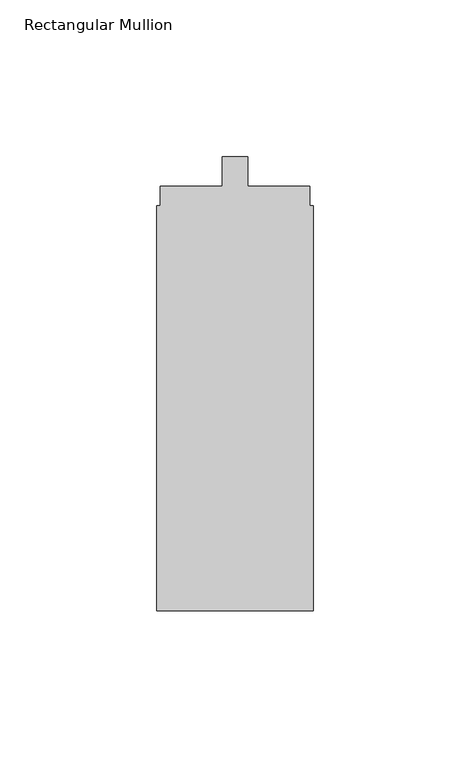
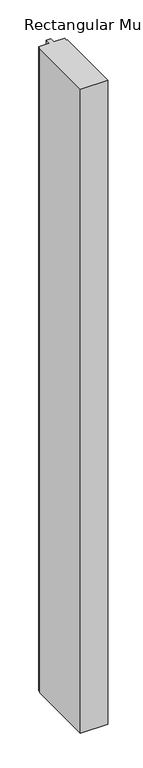
"""IFC4 building model written with IfcOpenShell, lengths in millimetres: member geometry, Rectangular Mullion."""

from ifc_helpers import new_model, si_unit, frame, origin, place, context, project, spatial, polyline, outline, extrude, source, transform, mapped, element, save


def rectangular_mullion_2af4f09c(model_context):
    return source(origin(), model_context, "Body", "SweptSolid", [
        extrude(outline(polyline([(-50.0, -152.3), (-50.0, -23.0), (-48.8217337, -23.0), (-48.8217337, -16.8), (-29.1, -16.8), (-29.1, -7.3), (-20.9, -7.3), (-20.9, -16.8), (-1.1, -16.8), (-1.1, -23.0), (0.0, -23.0), (0.0, -152.3), (-50.0, -152.3)])), frame((0.0, 0.0, -1250.0), z_axis=(0.0, 0.0, 1.0), x_axis=(1.0, 0.0, 0.0)), (0.0, 0.0, 1.0), 1250.0),
    ])


if __name__ == "__main__":
    model = new_model("IFC4")
    model_context = context("Model", 3, world=origin())
    ifc_project = project(units=[si_unit("LENGTHUNIT", "METRE", prefix="MILLI")], contexts=[model_context])
    site = spatial("IfcSite", under=ifc_project)
    building = spatial("IfcBuilding", under=site)
    placement = place(None, origin())
    rectangular_mullion_shape = rectangular_mullion_2af4f09c(model_context)
    element("IfcMember", 1, ObjectType="Rectangular Mullion", at=placement, inside=building, context=model_context, shape_type="MappedRepresentation", body=[
        mapped(rectangular_mullion_shape, transform((0.0, 0.0, 0.0), x_axis=(1.0, 0.0, 0.0), y_axis=(0.0, 1.0, 0.0), z_axis=(0.0, 0.0, 1.0))),
    ])
    save(model, "model.ifc")
